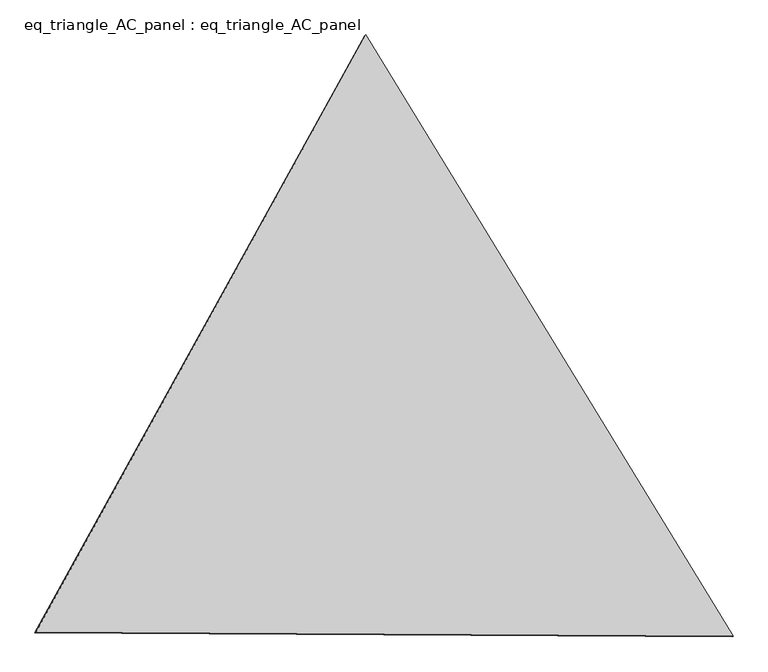
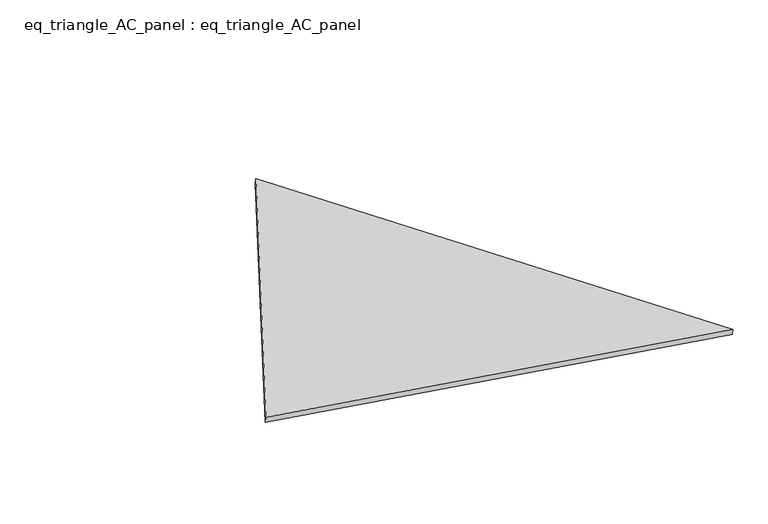
"""IFC4 building model written with IfcOpenShell, lengths in millimetres: proxy geometry, eq_triangle_AC_panel : eq_triangle_AC_panel."""

from ifc_helpers import new_model, si_unit, frame, origin, place, context, project, spatial, polyline, outline, extrude, source, transform, mapped, element, save


def eq_triangle_ac_panel_eq_triangle_ac_panel_5e811ed8(model_context):
    return source(origin(), model_context, "Body", "SweptSolid", [
        extrude(outline(polyline([(-2032.8034644, 1173.1625896), (2091.2888772, 1173.1625896), (-58.4854128, -2346.3251791), (-2032.8034644, 1173.1625896)])), frame((0.0038051, 527.9290861, 89.8240019), z_axis=(0.14526328518059411, 0.08386570281804388, 0.9858321976225859), x_axis=(0.5211219044975335, -0.8534720093143946, -0.004182101112280908)), (0.0, 0.0, 1.0), 43.8306294),
    ])


if __name__ == "__main__":
    model = new_model("IFC4")
    model_context = context("Model", 3, world=origin())
    ifc_project = project(units=[si_unit("LENGTHUNIT", "METRE", prefix="MILLI")], contexts=[model_context])
    site = spatial("IfcSite", under=ifc_project)
    building = spatial("IfcBuilding", under=site)
    placement = place(None, origin())
    eq_triangle_ac_panel_eq_triangle_ac_panel_shape = eq_triangle_ac_panel_eq_triangle_ac_panel_5e811ed8(model_context)
    element("IfcBuildingElementProxy", 1, Name="eq_triangle_AC_panel : eq_triangle_AC_panel", ObjectType="eq_triangle_AC_panel : eq_triangle_AC_panel", at=placement, inside=building, context=model_context, shape_type="MappedRepresentation", body=[
        mapped(eq_triangle_ac_panel_eq_triangle_ac_panel_shape, transform((0.0, 0.0, 0.0), x_axis=(1.0, 0.0, 0.0), y_axis=(0.0, 1.0, 0.0), z_axis=(0.0, 0.0, 1.0))),
    ])
    save(model, "model.ifc")
